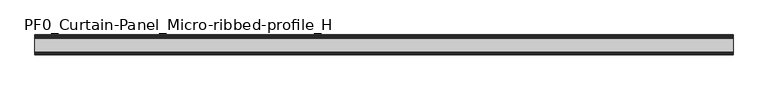
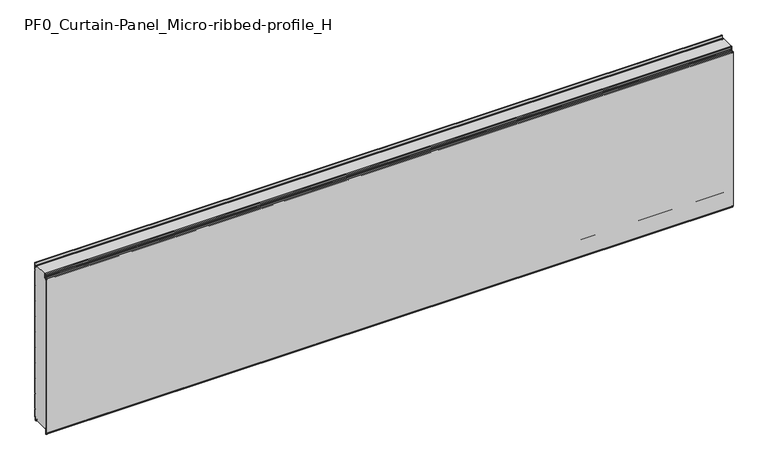
"""IFC4 building model written with IfcOpenShell, lengths in millimetres: plate geometry, PF0_Curtain-Panel_Micro-ribbed-profile_H."""

from ifc_helpers import new_model, si_unit, point, frame, frame_2d, origin, place, context, project, spatial, polyline, circle_curve, trimmed, segment, composite_curve, outline, extrude, source, transform, mapped, element, save
from ifc_brep_helpers import plane_surface, cylinder_surface, revolved_surface, advanced_brep


def pf0_curtain_panel_micro_ribbed_profile_h_64d7a4d9(model_context):
    return source(origin(), model_context, "Body", "SolidModel", [
        advanced_brep(
        [(-2100.0, -15.878557, 0.0), (-2100.0, -20.0, 0.0), (-2100.0, -20.0, 0.8), (-2100.0, -15.878557, 0.8), (-2100.0, -13.1503208, -1.370137), (-2100.0, -11.728236, -7.529863), (-2100.0, -6.2, -6.9), (-2100.0, -6.2, 8.6), (-2100.0, -3.4, 11.4), (-2100.0, -2.0, 11.4), (-2100.0, -0.8, 12.6), (-2100.0, -0.8, 57.6856412), (-2100.0, -2.482606, 60.6), (-2100.0, -0.8, 63.5143588), (-2100.0, -0.8, 157.6856412), (-2100.0, -2.482606, 160.6), (-2100.0, -0.8, 163.5143588), (-2100.0, -0.8, 257.6856412), (-2100.0, -2.482606, 260.6), (-2100.0, -0.8, 263.5143588), (-2100.0, -0.8, 357.6856412), (-2100.0, -2.482606, 360.6), (-2100.0, -0.8, 363.5143588), (-2100.0, -0.8, 457.6856412), (-2100.0, -2.482606, 460.6), (-2100.0, -0.8, 463.5143588), (-2100.0, -0.8, 557.6856412), (-2100.0, -2.482606, 560.6), (-2100.0, -0.8, 563.5143588), (-2100.0, -0.8, 657.6856412), (-2100.0, -2.482606, 660.6), (-2100.0, -0.8, 663.5143588), (-2100.0, -0.8, 757.6856412), (-2100.0, -2.482606, 760.6), (-2100.0, -0.8, 763.5143588), (-2100.0, -0.8, 857.6856412), (-2100.0, -2.482606, 860.6), (-2100.0, -0.8, 863.5143588), (-2100.0, -0.8, 957.6856412), (-2100.0, -2.482606, 960.6), (-2100.0, -0.8, 963.5143588), (-2100.0, -0.8, 1008.1), (-2100.0, -4.2, 1008.1), (-2100.0, -4.2, 991.1), (-2100.0, -13.7270771, 990.2664884), (-2100.0, -14.8636953, 996.7125669), (-2100.0, -16.6363492, 998.2), (-2100.0, -20.0, 998.2), (-2100.0, -20.0, 999.0), (-2100.0, -16.6363492, 999.0), (-2100.0, -14.0758491, 996.8514855), (-2100.0, -12.939231, 990.405407), (-2100.0, -5.0, 991.1), (-2100.0, -5.0, 1008.1), (-2100.0, -2.5, 1010.6), (-2100.0, 0.0, 1008.1), (-2100.0, 0.0, 963.2999995), (-2100.0, -1.5588455, 960.6), (-2100.0, 0.0, 957.9000005), (-2100.0, 0.0, 863.2999995), (-2100.0, -1.5588455, 860.6), (-2100.0, 0.0, 857.9000005), (-2100.0, 0.0, 763.2999995), (-2100.0, -1.5588455, 760.6), (-2100.0, 0.0, 757.9000005), (-2100.0, 0.0, 663.2999995), (-2100.0, -1.5588455, 660.6), (-2100.0, 0.0, 657.9000005), (-2100.0, 0.0, 563.2999995), (-2100.0, -1.5588455, 560.6), (-2100.0, 0.0, 557.9000005), (-2100.0, 0.0, 463.2999995), (-2100.0, -1.5588455, 460.6), (-2100.0, 0.0, 457.9000005), (-2100.0, 0.0, 363.2999995), (-2100.0, -1.5588455, 360.6), (-2100.0, 0.0, 357.9000005), (-2100.0, 0.0, 263.2999995), (-2100.0, -1.5588455, 260.6), (-2100.0, 0.0, 257.9000005), (-2100.0, 0.0, 163.2999995), (-2100.0, -1.5588455, 160.6), (-2100.0, 0.0, 157.9000005), (-2100.0, 0.0, 63.2999995), (-2100.0, -1.5588455, 60.6), (-2100.0, 0.0, 57.9000005), (-2100.0, 0.0, 12.6), (-2100.0, -2.0, 10.6), (-2100.0, -3.4, 10.6), (-2100.0, -5.4, 8.6), (-2100.0, -5.4, -6.9), (-2100.0, -12.5077322, -7.7098239), (-2100.0, -13.929817, -1.5500979), (2100.0, -15.878557, 0.0), (2100.0, -13.9298169, -1.5500978), (2100.0, -12.507732, -7.7098239), (2100.0, -5.4, -6.9), (2100.0, -5.4, 8.6), (2100.0, -3.4, 10.6), (2100.0, -2.0, 10.6), (2100.0, 0.0, 12.6), (2100.0, 0.0, 57.9000005), (2100.0, -1.5588455, 60.6), (2100.0, 0.0, 63.2999995), (2100.0, 0.0, 157.9000005), (2100.0, -1.5588455, 160.6), (2100.0, 0.0, 163.2999995), (2100.0, 0.0, 257.9000005), (2100.0, -1.5588455, 260.6), (2100.0, 0.0, 263.2999995), (2100.0, 0.0, 357.9000005), (2100.0, -1.5588455, 360.6), (2100.0, 0.0, 363.2999995), (2100.0, 0.0, 457.9000005), (2100.0, -1.5588455, 460.6), (2100.0, 0.0, 463.2999995), (2100.0, 0.0, 557.9000005), (2100.0, -1.5588455, 560.6), (2100.0, 0.0, 563.2999995), (2100.0, 0.0, 657.9000005), (2100.0, -1.5588455, 660.6), (2100.0, 0.0, 663.2999995), (2100.0, 0.0, 757.9000005), (2100.0, -1.5588455, 760.6), (2100.0, 0.0, 763.2999995), (2100.0, 0.0, 857.9000005), (2100.0, -1.5588455, 860.6), (2100.0, 0.0, 863.2999995), (2100.0, 0.0, 957.9000005), (2100.0, -1.5588455, 960.6), (2100.0, 0.0, 963.2999995), (2100.0, 0.0, 1008.1), (2100.0, -2.5, 1010.6), (2100.0, -5.0, 1008.1), (2100.0, -5.0, 991.1), (2100.0, -12.939231, 990.405407), (2100.0, -14.0758491, 996.8514855), (2100.0, -16.6363492, 999.0), (2100.0, -20.0, 999.0), (2100.0, -20.0, 998.2), (2100.0, -16.6363492, 998.2), (2100.0, -14.8636953, 996.7125669), (2100.0, -13.7270772, 990.2664884), (2100.0, -4.2, 991.1), (2100.0, -4.2, 1008.1), (2100.0, -0.8, 1008.1), (2100.0, -0.8, 963.5143588), (2100.0, -2.482606, 960.6), (2100.0, -0.8, 957.6856412), (2100.0, -0.8, 863.5143588), (2100.0, -2.482606, 860.6), (2100.0, -0.8, 857.6856412), (2100.0, -0.8, 763.5143588), (2100.0, -2.482606, 760.6), (2100.0, -0.8, 757.6856412), (2100.0, -0.8, 663.5143588), (2100.0, -2.482606, 660.6), (2100.0, -0.8, 657.6856412), (2100.0, -0.8, 563.5143588), (2100.0, -2.482606, 560.6), (2100.0, -0.8, 557.6856412), (2100.0, -0.8, 463.5143588), (2100.0, -2.482606, 460.6), (2100.0, -0.8, 457.6856412), (2100.0, -0.8, 363.5143588), (2100.0, -2.482606, 360.6), (2100.0, -0.8, 357.6856412), (2100.0, -0.8, 263.5143588), (2100.0, -2.482606, 260.6), (2100.0, -0.8, 257.6856412), (2100.0, -0.8, 163.5143588), (2100.0, -2.482606, 160.6), (2100.0, -0.8, 157.6856412), (2100.0, -0.8, 63.5143588), (2100.0, -2.482606, 60.6), (2100.0, -0.8, 57.6856412), (2100.0, -0.8, 12.6), (2100.0, -2.0, 11.4), (2100.0, -3.4, 11.4), (2100.0, -6.2, 8.6), (2100.0, -6.2, -6.9), (2100.0, -11.7282362, -7.529863), (2100.0, -13.150321, -1.370137), (2100.0, -15.878557, 0.8), (2100.0, -20.0, 0.8), (2100.0, -20.0, 0.0)],
        [
            (0, 1),
            (1, 2),
            (2, 3),
            (3, 4, circle_curve(frame((-2100.0, -15.878557, -2.0), z_axis=(-1.0, 0.0, 0.0), x_axis=(0.0, 0.0, 1.0)), 2.8)),
            (4, 5),
            (5, 6, circle_curve(frame((-2100.0, -9.0, -6.9), z_axis=(1.0, 0.0, 0.0), x_axis=(0.0, 0.0, 1.0)), 2.8)),
            (6, 7),
            (7, 8, circle_curve(frame((-2100.0, -3.4, 8.6), z_axis=(-1.0, 0.0, 0.0), x_axis=(0.0, 0.0, 1.0)), 2.8)),
            (8, 9),
            (9, 10, circle_curve(frame((-2100.0, -2.0, 12.6), z_axis=(1.0, 0.0, 0.0), x_axis=(0.0, 0.0, 1.0)), 1.2)),
            (10, 11),
            (11, 12),
            (12, 13),
            (13, 14),
            (14, 15),
            (15, 16),
            (16, 17),
            (17, 18),
            (18, 19),
            (19, 20),
            (20, 21),
            (21, 22),
            (22, 23),
            (23, 24),
            (24, 25),
            (25, 26),
            (26, 27),
            (27, 28),
            (28, 29),
            (29, 30),
            (30, 31),
            (31, 32),
            (32, 33),
            (33, 34),
            (34, 35),
            (35, 36),
            (36, 37),
            (37, 38),
            (38, 39),
            (39, 40),
            (40, 41),
            (41, 42, circle_curve(frame((-2100.0, -2.5, 1008.1), z_axis=(1.0, 0.0, 0.0), x_axis=(0.0, 0.0, 1.0)), 1.7)),
            (42, 43),
            (43, 44, circle_curve(frame((-2100.0, -9.0, 991.1), z_axis=(-1.0, 0.0, 0.0), x_axis=(0.0, 0.0, 1.0)), 4.8)),
            (44, 45),
            (45, 46, circle_curve(frame((-2100.0, -16.6363492, 996.4), z_axis=(1.0, 0.0, 0.0), x_axis=(0.0, 0.0, 1.0)), 1.8)),
            (46, 47),
            (47, 48),
            (48, 49),
            (49, 50, circle_curve(frame((-2100.0, -16.6363492, 996.4), z_axis=(-1.0, 0.0, 0.0), x_axis=(0.0, 0.0, 1.0)), 2.6)),
            (50, 51),
            (51, 52, circle_curve(frame((-2100.0, -9.0, 991.1), z_axis=(1.0, 0.0, 0.0), x_axis=(0.0, 0.0, 1.0)), 4.0)),
            (52, 53),
            (53, 54, circle_curve(frame((-2100.0, -2.5, 1008.1), z_axis=(-1.0, 0.0, 0.0), x_axis=(0.0, 0.0, 1.0)), 2.5)),
            (54, 55, circle_curve(frame((-2100.0, -2.5, 1008.1), z_axis=(-1.0, 0.0, 0.0), x_axis=(0.0, 0.0, 1.0)), 2.5)),
            (55, 56),
            (56, 57),
            (57, 58),
            (58, 59),
            (59, 60),
            (60, 61),
            (61, 62),
            (62, 63),
            (63, 64),
            (64, 65),
            (65, 66),
            (66, 67),
            (67, 68),
            (68, 69),
            (69, 70),
            (70, 71),
            (71, 72),
            (72, 73),
            (73, 74),
            (74, 75),
            (75, 76),
            (76, 77),
            (77, 78),
            (78, 79),
            (79, 80),
            (80, 81),
            (81, 82),
            (82, 83),
            (83, 84),
            (84, 85),
            (85, 86),
            (86, 87, circle_curve(frame((-2100.0, -2.0, 12.6), z_axis=(-1.0, 0.0, 0.0), x_axis=(0.0, 0.0, 1.0)), 2.0)),
            (87, 88),
            (88, 89, circle_curve(frame((-2100.0, -3.4, 8.6), z_axis=(1.0, 0.0, 0.0), x_axis=(0.0, 0.0, 1.0)), 2.0)),
            (89, 90),
            (90, 91, circle_curve(frame((-2100.0, -9.0, -6.9), z_axis=(-1.0, 0.0, 0.0), x_axis=(0.0, 0.0, 1.0)), 3.6)),
            (91, 92),
            (92, 0, circle_curve(frame((-2100.0, -15.878557, -2.0), z_axis=(1.0, 0.0, 0.0), x_axis=(0.0, 0.0, 1.0)), 2.0)),
            (93, 94, circle_curve(frame((2100.0, -15.878557, -2.0), z_axis=(-1.0, 0.0, 0.0), x_axis=(0.0, 0.0, 1.0)), 2.0)),
            (94, 95),
            (95, 96, circle_curve(frame((2100.0, -9.0, -6.9), z_axis=(1.0, 0.0, 0.0), x_axis=(0.0, 0.0, 1.0)), 3.6)),
            (96, 97),
            (97, 98, circle_curve(frame((2100.0, -3.4, 8.6), z_axis=(-1.0, 0.0, 0.0), x_axis=(0.0, 0.0, 1.0)), 2.0)),
            (98, 99),
            (99, 100, circle_curve(frame((2100.0, -2.0, 12.6), z_axis=(1.0, 0.0, 0.0), x_axis=(0.0, 0.0, 1.0)), 2.0)),
            (100, 101),
            (101, 102),
            (102, 103),
            (103, 104),
            (104, 105),
            (105, 106),
            (106, 107),
            (107, 108),
            (108, 109),
            (109, 110),
            (110, 111),
            (111, 112),
            (112, 113),
            (113, 114),
            (114, 115),
            (115, 116),
            (116, 117),
            (117, 118),
            (118, 119),
            (119, 120),
            (120, 121),
            (121, 122),
            (122, 123),
            (123, 124),
            (124, 125),
            (125, 126),
            (126, 127),
            (127, 128),
            (128, 129),
            (129, 130),
            (130, 131),
            (131, 132, circle_curve(frame((2100.0, -2.5, 1008.1), z_axis=(1.0, 0.0, 0.0), x_axis=(0.0, 0.0, 1.0)), 2.5)),
            (132, 133, circle_curve(frame((2100.0, -2.5, 1008.1), z_axis=(1.0, 0.0, 0.0), x_axis=(0.0, 0.0, 1.0)), 2.5)),
            (133, 134),
            (134, 135, circle_curve(frame((2100.0, -9.0, 991.1), z_axis=(-1.0, 0.0, 0.0), x_axis=(0.0, 0.0, 1.0)), 4.0)),
            (135, 136),
            (136, 137, circle_curve(frame((2100.0, -16.6363492, 996.4), z_axis=(1.0, 0.0, 0.0), x_axis=(0.0, 0.0, 1.0)), 2.6)),
            (137, 138),
            (138, 139),
            (139, 140),
            (140, 141, circle_curve(frame((2100.0, -16.6363492, 996.4), z_axis=(-1.0, 0.0, 0.0), x_axis=(0.0, 0.0, 1.0)), 1.8)),
            (141, 142),
            (142, 143, circle_curve(frame((2100.0, -9.0, 991.1), z_axis=(1.0, 0.0, 0.0), x_axis=(0.0, 0.0, 1.0)), 4.8)),
            (143, 144),
            (144, 145, circle_curve(frame((2100.0, -2.5, 1008.1), z_axis=(-1.0, 0.0, 0.0), x_axis=(0.0, 0.0, 1.0)), 1.7)),
            (145, 146),
            (146, 147),
            (147, 148),
            (148, 149),
            (149, 150),
            (150, 151),
            (151, 152),
            (152, 153),
            (153, 154),
            (154, 155),
            (155, 156),
            (156, 157),
            (157, 158),
            (158, 159),
            (159, 160),
            (160, 161),
            (161, 162),
            (162, 163),
            (163, 164),
            (164, 165),
            (165, 166),
            (166, 167),
            (167, 168),
            (168, 169),
            (169, 170),
            (170, 171),
            (171, 172),
            (172, 173),
            (173, 174),
            (174, 175),
            (175, 176),
            (176, 177, circle_curve(frame((2100.0, -2.0, 12.6), z_axis=(-1.0, 0.0, 0.0), x_axis=(0.0, 0.0, 1.0)), 1.2)),
            (177, 178),
            (178, 179, circle_curve(frame((2100.0, -3.4, 8.6), z_axis=(1.0, 0.0, 0.0), x_axis=(0.0, 0.0, 1.0)), 2.8)),
            (179, 180),
            (180, 181, circle_curve(frame((2100.0, -9.0, -6.9), z_axis=(-1.0, 0.0, 0.0), x_axis=(0.0, 0.0, 1.0)), 2.8)),
            (181, 182),
            (182, 183, circle_curve(frame((2100.0, -15.878557, -2.0), z_axis=(1.0, 0.0, 0.0), x_axis=(0.0, 0.0, 1.0)), 2.8)),
            (183, 184),
            (184, 185),
            (185, 93),
            (0, 93),
            (185, 1),
            (184, 2),
            (183, 3),
            (182, 4),
            (181, 5),
            (180, 6),
            (179, 7),
            (178, 8),
            (177, 9),
            (176, 10),
            (175, 11),
            (174, 12),
            (173, 13),
            (172, 14),
            (171, 15),
            (170, 16),
            (169, 17),
            (168, 18),
            (167, 19),
            (166, 20),
            (165, 21),
            (164, 22),
            (163, 23),
            (162, 24),
            (161, 25),
            (160, 26),
            (159, 27),
            (158, 28),
            (157, 29),
            (156, 30),
            (155, 31),
            (154, 32),
            (153, 33),
            (152, 34),
            (151, 35),
            (150, 36),
            (149, 37),
            (148, 38),
            (147, 39),
            (146, 40),
            (145, 41),
            (144, 42),
            (143, 43),
            (142, 44),
            (141, 45),
            (140, 46),
            (139, 47),
            (138, 48),
            (137, 49),
            (136, 50),
            (135, 51),
            (134, 52),
            (133, 53),
            (131, 55),
            (130, 56),
            (129, 57),
            (128, 58),
            (127, 59),
            (126, 60),
            (125, 61),
            (124, 62),
            (123, 63),
            (122, 64),
            (121, 65),
            (120, 66),
            (119, 67),
            (118, 68),
            (117, 69),
            (116, 70),
            (115, 71),
            (114, 72),
            (113, 73),
            (112, 74),
            (111, 75),
            (110, 76),
            (109, 77),
            (108, 78),
            (107, 79),
            (106, 80),
            (105, 81),
            (104, 82),
            (103, 83),
            (102, 84),
            (101, 85),
            (100, 86),
            (99, 87),
            (98, 88),
            (97, 89),
            (96, 90),
            (95, 91),
            (94, 92),
        ],
        [
            plane_surface(frame((-2100.0, 0.0, 0.0), z_axis=(-1.0, 0.0, 0.0), x_axis=(0.0, 1.0, 0.0))),
            plane_surface(frame((2100.0, 0.0, 0.0), z_axis=(1.0, 0.0, 0.0), x_axis=(0.0, 1.0, 0.0))),
            plane_surface(frame((-2100.0, -15.878557, 0.0), z_axis=(0.0, 0.0, -1.0), x_axis=(1.0, 0.0, 0.0))),
            plane_surface(frame((-2100.0, -20.0, 0.0), z_axis=(0.0, -1.0, 0.0), x_axis=(1.0, 0.0, 0.0))),
            plane_surface(frame((-2100.0, -20.0, 0.8), z_axis=(0.0, 0.0, 1.0), x_axis=(1.0, 0.0, 0.0))),
            cylinder_surface(frame((-2100.0, -15.878557, -2.0), z_axis=(-1.0, 0.0, 0.0), x_axis=(0.0, 0.0, 1.0)), 2.8),
            plane_surface(frame((-2100.0, -13.150321, -1.370137), z_axis=(0.0, 0.9743700578318181, 0.22495108446242168), x_axis=(1.0, 0.0, 0.0))),
            revolved_surface(polyline([(2100.0, -9.0, -4.1000000000000005), (-2100.0, -9.0, -4.1000000000000005)]), (-2100.0, -9.0, -6.9), (1.0, 0.0, 0.0)),
            plane_surface(frame((-2100.0, -6.2, -6.9), z_axis=(0.0, -1.0, 0.0), x_axis=(1.0, 0.0, 0.0))),
            cylinder_surface(frame((-2100.0, -3.4, 8.6), z_axis=(-1.0, 0.0, 0.0), x_axis=(0.0, 0.0, 1.0)), 2.8),
            plane_surface(frame((-2100.0, -3.4, 11.4), z_axis=(0.0, 0.0, 1.0), x_axis=(1.0, 0.0, 0.0))),
            revolved_surface(polyline([(2100.0, -2.0, 13.799999999999999), (-2100.0, -2.0, 13.799999999999999)]), (-2100.0, -2.0, 12.6), (1.0, 0.0, 0.0)),
            plane_surface(frame((-2100.0, -0.8, 12.6), z_axis=(0.0, -1.0, 0.0), x_axis=(1.0, 0.0, 0.0))),
            plane_surface(frame((-2100.0, -0.8, 57.6856412), z_axis=(0.0, -0.8660253865035757, -0.5000000299313314), x_axis=(1.0, 0.0, 0.0))),
            plane_surface(frame((-2100.0, -2.482606, 60.6), z_axis=(0.0, -0.8660253865035789, 0.5000000299313261), x_axis=(1.0, 0.0, 0.0))),
            plane_surface(frame((-2100.0, -0.8, 63.5143588), z_axis=(0.0, -1.0, 0.0), x_axis=(1.0, 0.0, 0.0))),
            plane_surface(frame((-2100.0, -0.8, 157.6856412), z_axis=(0.0, -0.8660253865035755, -0.5000000299313319), x_axis=(1.0, 0.0, 0.0))),
            plane_surface(frame((-2100.0, -2.482606, 160.6), z_axis=(0.0, -0.8660253865035777, 0.5000000299313279), x_axis=(1.0, 0.0, 0.0))),
            plane_surface(frame((-2100.0, -0.8, 163.5143588), z_axis=(0.0, -1.0, 0.0), x_axis=(1.0, 0.0, 0.0))),
            plane_surface(frame((-2100.0, -0.8, 257.6856412), z_axis=(0.0, -0.8660253865035755, -0.5000000299313319), x_axis=(1.0, 0.0, 0.0))),
            plane_surface(frame((-2100.0, -2.482606, 260.6), z_axis=(0.0, -0.8660253865035777, 0.5000000299313279), x_axis=(1.0, 0.0, 0.0))),
            plane_surface(frame((-2100.0, -0.8, 263.5143588), z_axis=(0.0, -1.0, 0.0), x_axis=(1.0, 0.0, 0.0))),
            plane_surface(frame((-2100.0, -0.8, 357.6856412), z_axis=(0.0, -0.8660253865035754, -0.500000029931332), x_axis=(1.0, 0.0, 0.0))),
            plane_surface(frame((-2100.0, -2.482606, 360.6), z_axis=(0.0, -0.8660253865035789, 0.5000000299313261), x_axis=(1.0, 0.0, 0.0))),
            plane_surface(frame((-2100.0, -0.8, 363.5143588), z_axis=(0.0, -1.0, 0.0), x_axis=(1.0, 0.0, 0.0))),
            plane_surface(frame((-2100.0, -0.8, 457.6856412), z_axis=(0.0, -0.8660253865035755, -0.5000000299313319), x_axis=(1.0, 0.0, 0.0))),
            plane_surface(frame((-2100.0, -2.482606, 460.6), z_axis=(0.0, -0.8660253865035785, 0.5000000299313266), x_axis=(1.0, 0.0, 0.0))),
            plane_surface(frame((-2100.0, -0.8, 463.5143588), z_axis=(0.0, -1.0, 0.0), x_axis=(1.0, 0.0, 0.0))),
            plane_surface(frame((-2100.0, -0.8, 557.6856412), z_axis=(0.0, -0.8660253865035755, -0.500000029931332), x_axis=(1.0, 0.0, 0.0))),
            plane_surface(frame((-2100.0, -2.482606, 560.6), z_axis=(0.0, -0.8660253865035789, 0.500000029931326), x_axis=(1.0, 0.0, 0.0))),
            plane_surface(frame((-2100.0, -0.8, 563.5143588), z_axis=(0.0, -1.0, 0.0), x_axis=(1.0, 0.0, 0.0))),
            plane_surface(frame((-2100.0, -0.8, 657.6856412), z_axis=(0.0, -0.8660253865035755, -0.5000000299313317), x_axis=(1.0, 0.0, 0.0))),
            plane_surface(frame((-2100.0, -2.482606, 660.6), z_axis=(0.0, -0.8660253865035772, 0.5000000299313291), x_axis=(1.0, 0.0, 0.0))),
            plane_surface(frame((-2100.0, -0.8, 663.5143588), z_axis=(0.0, -1.0, 0.0), x_axis=(1.0, 0.0, 0.0))),
            plane_surface(frame((-2100.0, -0.8, 757.6856412), z_axis=(0.0, -0.8660253865035755, -0.5000000299313319), x_axis=(1.0, 0.0, 0.0))),
            plane_surface(frame((-2100.0, -2.482606, 760.6), z_axis=(0.0, -0.8660253865035771, 0.5000000299313291), x_axis=(1.0, 0.0, 0.0))),
            plane_surface(frame((-2100.0, -0.8, 763.5143588), z_axis=(0.0, -1.0, 0.0), x_axis=(1.0, 0.0, 0.0))),
            plane_surface(frame((-2100.0, -0.8, 857.6856412), z_axis=(0.0, -0.8660253865035755, -0.5000000299313319), x_axis=(1.0, 0.0, 0.0))),
            plane_surface(frame((-2100.0, -2.482606, 860.6), z_axis=(0.0, -0.8660253865035775, 0.5000000299313283), x_axis=(1.0, 0.0, 0.0))),
            plane_surface(frame((-2100.0, -0.8, 863.5143588), z_axis=(0.0, -1.0, 0.0), x_axis=(1.0, 0.0, 0.0))),
            plane_surface(frame((-2100.0, -0.8, 957.6856412), z_axis=(0.0, -0.8660253865035755, -0.500000029931332), x_axis=(1.0, 0.0, 0.0))),
            plane_surface(frame((-2100.0, -2.482606, 960.6), z_axis=(0.0, -0.8660253865035771, 0.5000000299313291), x_axis=(1.0, 0.0, 0.0))),
            plane_surface(frame((-2100.0, -0.8, 963.5143588), z_axis=(0.0, -1.0, 0.0), x_axis=(1.0, 0.0, 0.0))),
            revolved_surface(polyline([(2100.0, -2.5, 1009.8000000000001), (-2100.0, -2.5, 1009.8000000000001)]), (-2100.0, -2.5, 1008.1), (1.0, 0.0, 0.0)),
            plane_surface(frame((-2100.0, -4.2, 1008.1), z_axis=(0.0, 1.0, 0.0), x_axis=(1.0, 0.0, 0.0))),
            cylinder_surface(frame((-2100.0, -9.0, 991.1), z_axis=(-1.0, 0.0, 0.0), x_axis=(0.0, 0.0, 1.0)), 4.8),
            plane_surface(frame((-2100.0, -13.7270772, 990.2664884), z_axis=(0.0, -0.9848077391954005, -0.17364825602592165), x_axis=(1.0, 0.0, 0.0))),
            revolved_surface(polyline([(2100.0, -16.6363492, 998.1999999999999), (-2100.0, -16.6363492, 998.1999999999999)]), (-2100.0, -16.6363492, 996.4), (1.0, 0.0, 0.0)),
            plane_surface(frame((-2100.0, -16.6363492, 998.2), z_axis=(0.0, 0.0, -1.0), x_axis=(1.0, 0.0, 0.0))),
            plane_surface(frame((-2100.0, -20.0, 998.2), z_axis=(0.0, -1.0, 0.0), x_axis=(1.0, 0.0, 0.0))),
            plane_surface(frame((-2100.0, -20.0, 999.0), z_axis=(0.0, 0.0, 1.0), x_axis=(1.0, 0.0, 0.0))),
            cylinder_surface(frame((-2100.0, -16.6363492, 996.4), z_axis=(-1.0, 0.0, 0.0), x_axis=(0.0, 0.0, 1.0)), 2.6),
            plane_surface(frame((-2100.0, -14.0758491, 996.8514855), z_axis=(0.0, 0.9848077391954003, 0.1736482560259224), x_axis=(1.0, 0.0, 0.0))),
            revolved_surface(polyline([(2100.0, -9.0, 995.1), (-2100.0, -9.0, 995.1)]), (-2100.0, -9.0, 991.1), (1.0, 0.0, 0.0)),
            plane_surface(frame((-2100.0, -5.0, 991.1), z_axis=(0.0, -1.0, 0.0), x_axis=(1.0, 0.0, 0.0))),
            cylinder_surface(frame((-2100.0, -2.5, 1008.1), z_axis=(-1.0, 0.0, 0.0), x_axis=(0.0, 0.0, 1.0)), 2.5),
            plane_surface(frame((-2100.0, 0.0, 1008.1), z_axis=(0.0, 1.0, 0.0), x_axis=(1.0, 0.0, 0.0))),
            plane_surface(frame((-2100.0, 0.0, 963.2999995), z_axis=(0.0, 0.8660253865035786, -0.5000000299313263), x_axis=(1.0, 0.0, 0.0))),
            plane_surface(frame((-2100.0, -1.5588455, 960.6), z_axis=(0.0, 0.8660253865035755, 0.5000000299313319), x_axis=(1.0, 0.0, 0.0))),
            plane_surface(frame((-2100.0, 0.0, 957.9000005), z_axis=(0.0, 1.0, 0.0), x_axis=(1.0, 0.0, 0.0))),
            plane_surface(frame((-2100.0, 0.0, 863.2999995), z_axis=(0.0, 0.8660253865035786, -0.5000000299313263), x_axis=(1.0, 0.0, 0.0))),
            plane_surface(frame((-2100.0, -1.5588455, 860.6), z_axis=(0.0, 0.8660253865035755, 0.5000000299313319), x_axis=(1.0, 0.0, 0.0))),
            plane_surface(frame((-2100.0, 0.0, 857.9000005), z_axis=(0.0, 1.0, 0.0), x_axis=(1.0, 0.0, 0.0))),
            plane_surface(frame((-2100.0, 0.0, 763.2999995), z_axis=(0.0, 0.8660253865035786, -0.5000000299313263), x_axis=(1.0, 0.0, 0.0))),
            plane_surface(frame((-2100.0, -1.5588455, 760.6), z_axis=(0.0, 0.8660253865035755, 0.5000000299313319), x_axis=(1.0, 0.0, 0.0))),
            plane_surface(frame((-2100.0, 0.0, 757.9000005), z_axis=(0.0, 1.0, 0.0), x_axis=(1.0, 0.0, 0.0))),
            plane_surface(frame((-2100.0, 0.0, 663.2999995), z_axis=(0.0, 0.8660253865035786, -0.5000000299313263), x_axis=(1.0, 0.0, 0.0))),
            plane_surface(frame((-2100.0, -1.5588455, 660.6), z_axis=(0.0, 0.8660253865035755, 0.5000000299313319), x_axis=(1.0, 0.0, 0.0))),
            plane_surface(frame((-2100.0, 0.0, 657.9000005), z_axis=(0.0, 1.0, 0.0), x_axis=(1.0, 0.0, 0.0))),
            plane_surface(frame((-2100.0, 0.0, 563.2999995), z_axis=(0.0, 0.8660253865035786, -0.5000000299313263), x_axis=(1.0, 0.0, 0.0))),
            plane_surface(frame((-2100.0, -1.5588455, 560.6), z_axis=(0.0, 0.8660253865035755, 0.5000000299313319), x_axis=(1.0, 0.0, 0.0))),
            plane_surface(frame((-2100.0, 0.0, 557.9000005), z_axis=(0.0, 1.0, 0.0), x_axis=(1.0, 0.0, 0.0))),
            plane_surface(frame((-2100.0, 0.0, 463.2999995), z_axis=(0.0, 0.8660253865035786, -0.5000000299313263), x_axis=(1.0, 0.0, 0.0))),
            plane_surface(frame((-2100.0, -1.5588455, 460.6), z_axis=(0.0, 0.8660253865035755, 0.5000000299313319), x_axis=(1.0, 0.0, 0.0))),
            plane_surface(frame((-2100.0, 0.0, 457.9000005), z_axis=(0.0, 1.0, 0.0), x_axis=(1.0, 0.0, 0.0))),
            plane_surface(frame((-2100.0, 0.0, 363.2999995), z_axis=(0.0, 0.8660253865035786, -0.5000000299313263), x_axis=(1.0, 0.0, 0.0))),
            plane_surface(frame((-2100.0, -1.5588455, 360.6), z_axis=(0.0, 0.8660253865035755, 0.5000000299313319), x_axis=(1.0, 0.0, 0.0))),
            plane_surface(frame((-2100.0, 0.0, 357.9000005), z_axis=(0.0, 1.0, 0.0), x_axis=(1.0, 0.0, 0.0))),
            plane_surface(frame((-2100.0, 0.0, 263.2999995), z_axis=(0.0, 0.8660253865035786, -0.5000000299313263), x_axis=(1.0, 0.0, 0.0))),
            plane_surface(frame((-2100.0, -1.5588455, 260.6), z_axis=(0.0, 0.8660253865035755, 0.5000000299313319), x_axis=(1.0, 0.0, 0.0))),
            plane_surface(frame((-2100.0, 0.0, 257.9000005), z_axis=(0.0, 1.0, 0.0), x_axis=(1.0, 0.0, 0.0))),
            plane_surface(frame((-2100.0, 0.0, 163.2999995), z_axis=(0.0, 0.8660253865035786, -0.5000000299313263), x_axis=(1.0, 0.0, 0.0))),
            plane_surface(frame((-2100.0, -1.5588455, 160.6), z_axis=(0.0, 0.8660253865035755, 0.5000000299313319), x_axis=(1.0, 0.0, 0.0))),
            plane_surface(frame((-2100.0, 0.0, 157.9000005), z_axis=(0.0, 1.0, 0.0), x_axis=(1.0, 0.0, 0.0))),
            plane_surface(frame((-2100.0, 0.0, 63.2999995), z_axis=(0.0, 0.8660253865035786, -0.5000000299313263), x_axis=(1.0, 0.0, 0.0))),
            plane_surface(frame((-2100.0, -1.5588455, 60.6), z_axis=(0.0, 0.8660253865035755, 0.5000000299313319), x_axis=(1.0, 0.0, 0.0))),
            plane_surface(frame((-2100.0, 0.0, 57.9000005), z_axis=(0.0, 1.0, 0.0), x_axis=(1.0, 0.0, 0.0))),
            cylinder_surface(frame((-2100.0, -2.0, 12.6), z_axis=(-1.0, 0.0, 0.0), x_axis=(0.0, 0.0, 1.0)), 2.0),
            plane_surface(frame((-2100.0, -2.0, 10.6), z_axis=(0.0, 0.0, -1.0), x_axis=(1.0, 0.0, 0.0))),
            revolved_surface(polyline([(2100.0, -3.4, 10.6), (-2100.0, -3.4, 10.6)]), (-2100.0, -3.4, 8.6), (1.0, 0.0, 0.0)),
            plane_surface(frame((-2100.0, -5.4, 8.6), z_axis=(0.0, 1.0, 0.0), x_axis=(1.0, 0.0, 0.0))),
            cylinder_surface(frame((-2100.0, -9.0, -6.9), z_axis=(-1.0, 0.0, 0.0), x_axis=(0.0, 0.0, 1.0)), 3.6),
            plane_surface(frame((-2100.0, -12.507732, -7.7098239), z_axis=(0.0, -0.9743700578318182, -0.22495108446242174), x_axis=(1.0, 0.0, 0.0))),
            revolved_surface(polyline([(2100.0, -15.878557, 0.0), (-2100.0, -15.878557, 0.0)]), (-2100.0, -15.878557, -2.0), (1.0, 0.0, 0.0)),
        ],
        [
            (0, [[1, 2, 3, 4, 5, 6, 7, 8, 9, 10, 11, 12, 13, 14, 15, 16, 17, 18, 19, 20, 21, 22, 23, 24, 25, 26, 27, 28, 29, 30, 31, 32, 33, 34, 35, 36, 37, 38, 39, 40, 41, 42, 43, 44, 45, 46, 47, 48, 49, 50, 51, 52, 53, 54, 55, 56, 57, 58, 59, 60, 61, 62, 63, 64, 65, 66, 67, 68, 69, 70, 71, 72, 73, 74, 75, 76, 77, 78, 79, 80, 81, 82, 83, 84, 85, 86, 87, 88, 89, 90, 91, 92, 93]]),
            (1, [[94, 95, 96, 97, 98, 99, 100, 101, 102, 103, 104, 105, 106, 107, 108, 109, 110, 111, 112, 113, 114, 115, 116, 117, 118, 119, 120, 121, 122, 123, 124, 125, 126, 127, 128, 129, 130, 131, 132, 133, 134, 135, 136, 137, 138, 139, 140, 141, 142, 143, 144, 145, 146, 147, 148, 149, 150, 151, 152, 153, 154, 155, 156, 157, 158, 159, 160, 161, 162, 163, 164, 165, 166, 167, 168, 169, 170, 171, 172, 173, 174, 175, 176, 177, 178, 179, 180, 181, 182, 183, 184, 185, 186]]),
            (2, [[-1, 187, -186, 188]]),
            (3, [[-2, -188, -185, 189]]),
            (4, [[-3, -189, -184, 190]]),
            (5, [[-4, -190, -183, 191]]),
            (6, [[-5, -191, -182, 192]]),
            (7, [[-6, -192, -181, 193]]),
            (8, [[-7, -193, -180, 194]]),
            (9, [[-8, -194, -179, 195]]),
            (10, [[-9, -195, -178, 196]]),
            (11, [[-10, -196, -177, 197]]),
            (12, [[-11, -197, -176, 198]]),
            (13, [[-12, -198, -175, 199]]),
            (14, [[-13, -199, -174, 200]]),
            (15, [[-14, -200, -173, 201]]),
            (16, [[-15, -201, -172, 202]]),
            (17, [[-16, -202, -171, 203]]),
            (18, [[-17, -203, -170, 204]]),
            (19, [[-18, -204, -169, 205]]),
            (20, [[-19, -205, -168, 206]]),
            (21, [[-20, -206, -167, 207]]),
            (22, [[-21, -207, -166, 208]]),
            (23, [[-22, -208, -165, 209]]),
            (24, [[-23, -209, -164, 210]]),
            (25, [[-24, -210, -163, 211]]),
            (26, [[-25, -211, -162, 212]]),
            (27, [[-26, -212, -161, 213]]),
            (28, [[-27, -213, -160, 214]]),
            (29, [[-28, -214, -159, 215]]),
            (30, [[-29, -215, -158, 216]]),
            (31, [[-30, -216, -157, 217]]),
            (32, [[-31, -217, -156, 218]]),
            (33, [[-32, -218, -155, 219]]),
            (34, [[-33, -219, -154, 220]]),
            (35, [[-34, -220, -153, 221]]),
            (36, [[-35, -221, -152, 222]]),
            (37, [[-36, -222, -151, 223]]),
            (38, [[-37, -223, -150, 224]]),
            (39, [[-38, -224, -149, 225]]),
            (40, [[-39, -225, -148, 226]]),
            (41, [[-40, -226, -147, 227]]),
            (42, [[-41, -227, -146, 228]]),
            (43, [[-42, -228, -145, 229]]),
            (44, [[-43, -229, -144, 230]]),
            (45, [[-44, -230, -143, 231]]),
            (46, [[-45, -231, -142, 232]]),
            (47, [[-46, -232, -141, 233]]),
            (48, [[-47, -233, -140, 234]]),
            (49, [[-48, -234, -139, 235]]),
            (50, [[-49, -235, -138, 236]]),
            (51, [[-50, -236, -137, 237]]),
            (52, [[-51, -237, -136, 238]]),
            (53, [[-52, -238, -135, 239]]),
            (54, [[-53, -239, -134, 240]]),
            (55, [[-240, -133, -132, 241, -55, -54]]),
            (56, [[-56, -241, -131, 242]]),
            (57, [[-57, -242, -130, 243]]),
            (58, [[-58, -243, -129, 244]]),
            (59, [[-59, -244, -128, 245]]),
            (60, [[-60, -245, -127, 246]]),
            (61, [[-61, -246, -126, 247]]),
            (62, [[-62, -247, -125, 248]]),
            (63, [[-63, -248, -124, 249]]),
            (64, [[-64, -249, -123, 250]]),
            (65, [[-65, -250, -122, 251]]),
            (66, [[-66, -251, -121, 252]]),
            (67, [[-67, -252, -120, 253]]),
            (68, [[-68, -253, -119, 254]]),
            (69, [[-69, -254, -118, 255]]),
            (70, [[-70, -255, -117, 256]]),
            (71, [[-71, -256, -116, 257]]),
            (72, [[-72, -257, -115, 258]]),
            (73, [[-73, -258, -114, 259]]),
            (74, [[-74, -259, -113, 260]]),
            (75, [[-75, -260, -112, 261]]),
            (76, [[-76, -261, -111, 262]]),
            (77, [[-77, -262, -110, 263]]),
            (78, [[-78, -263, -109, 264]]),
            (79, [[-79, -264, -108, 265]]),
            (80, [[-80, -265, -107, 266]]),
            (81, [[-81, -266, -106, 267]]),
            (82, [[-82, -267, -105, 268]]),
            (83, [[-83, -268, -104, 269]]),
            (84, [[-84, -269, -103, 270]]),
            (85, [[-85, -270, -102, 271]]),
            (86, [[-86, -271, -101, 272]]),
            (87, [[-87, -272, -100, 273]]),
            (88, [[-88, -273, -99, 274]]),
            (89, [[-89, -274, -98, 275]]),
            (90, [[-90, -275, -97, 276]]),
            (91, [[-91, -276, -96, 277]]),
            (92, [[-92, -277, -95, 278]]),
            (93, [[-93, -278, -94, -187]]),
        ],
    ),
        extrude(outline(composite_curve([segment(polyline([(-110.0, 0.0), (-113.5, 0.0)]), True, "CONTINUOUS"), segment(trimmed(circle_curve(frame_2d((-113.5, -2.0)), 2.0), [point((-113.5, 0.0))], [point((-115.5, -2.0))], True, "CARTESIAN"), True, "CONTINUOUS"), segment(polyline([(-115.5, -2.0), (-115.5, -33.0)]), True, "CONTINUOUS"), segment(trimmed(circle_curve(frame_2d((-116.5, -33.0)), 1.0), [point((-115.5, -33.0))], [point((-117.5, -33.0))], False, "CARTESIAN"), True, "CONTINUOUS"), segment(polyline([(-117.5, -33.0), (-117.5, -26.9)]), True, "CONTINUOUS"), segment(trimmed(circle_curve(frame_2d((-118.4, -26.9)), 0.9), [point((-117.5, -26.9))], [point((-118.4, -26.0))], True, "CARTESIAN"), True, "CONTINUOUS"), segment(trimmed(circle_curve(frame_2d((-118.4, -24.4)), 1.6), [point((-118.4, -26.0))], [point((-120.0, -24.4))], False, "CARTESIAN"), True, "CONTINUOUS"), segment(polyline([(-120.0, -24.4), (-120.0, 973.0)]), True, "CONTINUOUS"), segment(trimmed(circle_curve(frame_2d((-119.0, 973.0)), 1.0), [point((-120.0, 973.0))], [point((-118.0, 973.0))], False, "CARTESIAN"), True, "CONTINUOUS"), segment(polyline([(-118.0, 973.0), (-118.0, 967.0)]), True, "CONTINUOUS"), segment(trimmed(circle_curve(frame_2d((-116.5, 967.0)), 1.5), [point((-118.0, 967.0))], [point((-115.0, 967.0))], True, "CARTESIAN"), True, "CONTINUOUS"), segment(polyline([(-115.0, 967.0), (-115.0, 967.8276204)]), True, "CONTINUOUS"), segment(trimmed(circle_curve(frame_2d((-108.8276204, 967.8276204)), 6.1723796), [point((-115.0, 967.8276204))], [point((-108.8276204, 974.0))], False, "CARTESIAN"), True, "CONTINUOUS"), segment(polyline([(-108.8276204, 974.0), (-108.0, 974.0)]), True, "CONTINUOUS"), segment(trimmed(circle_curve(frame_2d((-108.0, 975.0)), 1.0), [point((-108.0, 974.0))], [point((-107.0, 975.0))], True, "CARTESIAN"), True, "CONTINUOUS"), segment(polyline([(-107.0, 975.0), (-107.0, 981.5000012), (-105.4999999, 983.0), (-107.0, 984.4999988), (-107.0, 996.4)]), True, "CONTINUOUS"), segment(trimmed(circle_curve(frame_2d((-104.4, 996.4)), 2.6), [point((-107.0, 996.4))], [point((-104.4, 999.0))], False, "CARTESIAN"), True, "CONTINUOUS"), segment(polyline([(-104.4, 999.0), (-103.0, 999.0), (-103.0, 998.2), (-104.4, 998.2)]), True, "CONTINUOUS"), segment(trimmed(circle_curve(frame_2d((-104.4, 996.4)), 1.8), [point((-104.4, 998.2))], [point((-106.2, 996.4))], True, "CARTESIAN"), True, "CONTINUOUS"), segment(polyline([(-106.2, 996.4), (-106.2, 984.8313698), (-104.3686285, 983.0), (-106.2, 981.1686302), (-106.2, 975.0)]), True, "CONTINUOUS"), segment(trimmed(circle_curve(frame_2d((-108.0, 975.0)), 1.8), [point((-106.2, 975.0))], [point((-108.0, 973.2))], False, "CARTESIAN"), True, "CONTINUOUS"), segment(polyline([(-108.0, 973.2), (-108.8276204, 973.2)]), True, "CONTINUOUS"), segment(trimmed(circle_curve(frame_2d((-108.8276204, 967.8276204)), 5.3723796), [point((-108.8276204, 973.2))], [point((-114.2, 967.8276204))], True, "CARTESIAN"), True, "CONTINUOUS"), segment(polyline([(-114.2, 967.8276204), (-114.2, 967.0)]), True, "CONTINUOUS"), segment(trimmed(circle_curve(frame_2d((-116.4, 967.0)), 2.2), [point((-114.2, 967.0))], [point((-118.6, 967.0))], False, "CARTESIAN"), True, "CONTINUOUS"), segment(polyline([(-118.6, 967.0), (-118.6, 972.8891513)]), True, "CONTINUOUS"), segment(trimmed(circle_curve(frame_2d((-118.9, 972.8891513)), 0.3), [point((-118.6, 972.8891513))], [point((-119.2, 972.8891513))], True, "CARTESIAN"), True, "CONTINUOUS"), segment(polyline([(-119.2, 972.8891513), (-119.2, -24.4)]), True, "CONTINUOUS"), segment(trimmed(circle_curve(frame_2d((-118.4, -24.4)), 0.8), [point((-119.2, -24.4))], [point((-118.4, -25.2))], True, "CARTESIAN"), True, "CONTINUOUS"), segment(trimmed(circle_curve(frame_2d((-118.6133333, -26.9)), 1.7133333), [point((-118.4, -25.2))], [point((-116.9, -26.9))], False, "CARTESIAN"), True, "CONTINUOUS"), segment(polyline([(-116.9, -26.9), (-116.9, -32.8700312)]), True, "CONTINUOUS"), segment(trimmed(circle_curve(frame_2d((-116.6, -32.8700312)), 0.3), [point((-116.9, -32.8700312))], [point((-116.3, -32.8700312))], True, "CARTESIAN"), True, "CONTINUOUS"), segment(polyline([(-116.3, -32.8700312), (-116.3, -2.0)]), True, "CONTINUOUS"), segment(trimmed(circle_curve(frame_2d((-113.5, -2.0)), 2.8), [point((-116.3, -2.0))], [point((-113.5, 0.8))], False, "CARTESIAN"), True, "CONTINUOUS"), segment(polyline([(-113.5, 0.8), (-110.0, 0.8), (-110.0, 0.0)]), True, "CONTINUOUS")], self_intersect=False)), frame((-2100.0, 0.0, 0.0), z_axis=(1.0, 0.0, 0.0), x_axis=(0.0, 1.0, 0.0)), (0.0, 0.0, 1.0), 4200.0),
        extrude(outline(composite_curve([segment(polyline([(-110.0, 0.8), (-113.5, 0.8)]), True, "CONTINUOUS"), segment(trimmed(circle_curve(frame_2d((-113.5, -2.0)), 2.8), [point((-113.5, 0.8))], [point((-116.3, -2.0))], True, "CARTESIAN"), True, "CONTINUOUS"), segment(polyline([(-116.3, -2.0), (-116.3, -32.8700312)]), True, "CONTINUOUS"), segment(trimmed(circle_curve(frame_2d((-116.6, -32.8700312)), 0.3), [point((-116.3, -32.8700312))], [point((-116.9, -32.8700312))], False, "CARTESIAN"), True, "CONTINUOUS"), segment(polyline([(-116.9, -32.8700312), (-116.9, -26.9)]), True, "CONTINUOUS"), segment(trimmed(circle_curve(frame_2d((-118.6133333, -26.9)), 1.7133333), [point((-116.9, -26.9))], [point((-118.4, -25.2))], True, "CARTESIAN"), True, "CONTINUOUS"), segment(trimmed(circle_curve(frame_2d((-118.4, -24.4)), 0.8), [point((-118.4, -25.2))], [point((-119.2, -24.4))], False, "CARTESIAN"), True, "CONTINUOUS"), segment(polyline([(-119.2, -24.4), (-119.2, 972.8891513)]), True, "CONTINUOUS"), segment(trimmed(circle_curve(frame_2d((-118.9, 972.8891513)), 0.3), [point((-119.2, 972.8891513))], [point((-118.6, 972.8891513))], False, "CARTESIAN"), True, "CONTINUOUS"), segment(polyline([(-118.6, 972.8891513), (-118.6, 967.0)]), True, "CONTINUOUS"), segment(trimmed(circle_curve(frame_2d((-116.4, 967.0)), 2.2), [point((-118.6, 967.0))], [point((-114.2, 967.0))], True, "CARTESIAN"), True, "CONTINUOUS"), segment(polyline([(-114.2, 967.0), (-114.2, 967.8276204)]), True, "CONTINUOUS"), segment(trimmed(circle_curve(frame_2d((-108.8276204, 967.8276204)), 5.3723796), [point((-114.2, 967.8276204))], [point((-108.8276204, 973.2))], False, "CARTESIAN"), True, "CONTINUOUS"), segment(polyline([(-108.8276204, 973.2), (-108.0, 973.2)]), True, "CONTINUOUS"), segment(trimmed(circle_curve(frame_2d((-108.0, 975.0)), 1.8), [point((-108.0, 973.2))], [point((-106.2, 975.0))], True, "CARTESIAN"), True, "CONTINUOUS"), segment(polyline([(-106.2, 975.0), (-106.2, 981.1686302), (-104.3686285, 983.0), (-106.2, 984.8313698), (-106.2, 996.4)]), True, "CONTINUOUS"), segment(trimmed(circle_curve(frame_2d((-104.4, 996.4)), 1.8), [point((-106.2, 996.4))], [point((-104.4, 998.2))], False, "CARTESIAN"), True, "CONTINUOUS"), segment(polyline([(-104.4, 998.2), (-103.0, 998.2), (-103.0, 999.0), (-20.0, 999.0), (-20.0, 998.2), (-16.6363492, 998.2)]), True, "CONTINUOUS"), segment(trimmed(circle_curve(frame_2d((-16.6363492, 996.4)), 1.8), [point((-16.6363492, 998.2))], [point((-14.8636953, 996.7125669))], False, "CARTESIAN"), True, "CONTINUOUS"), segment(polyline([(-14.8636953, 996.7125669), (-13.7270772, 990.2664884)]), True, "CONTINUOUS"), segment(trimmed(circle_curve(frame_2d((-9.0, 991.1)), 4.8), [point((-13.7270772, 990.2664884))], [point((-4.2, 991.1))], True, "CARTESIAN"), True, "CONTINUOUS"), segment(polyline([(-4.2, 991.1), (-4.2, 1008.1)]), True, "CONTINUOUS"), segment(trimmed(circle_curve(frame_2d((-2.5, 1008.1)), 1.7), [point((-4.2, 1008.1))], [point((-0.8, 1008.1))], False, "CARTESIAN"), True, "CONTINUOUS"), segment(polyline([(-0.8, 1008.1), (-0.8, 963.5143588), (-2.482606, 960.6), (-0.8, 957.6856412), (-0.8, 863.5143588), (-2.482606, 860.6), (-0.8, 857.6856412), (-0.8, 763.5143588), (-2.482606, 760.6), (-0.8, 757.6856412), (-0.8, 663.5143588), (-2.482606, 660.6), (-0.8, 657.6856412), (-0.8, 563.5143588), (-2.482606, 560.6), (-0.8, 557.6856412), (-0.8, 463.5143588), (-2.482606, 460.6), (-0.8, 457.6856412), (-0.8, 363.5143588), (-2.482606, 360.6), (-0.8, 357.6856412), (-0.8, 263.5143588), (-2.482606, 260.6), (-0.8, 257.6856412), (-0.8, 163.5143588), (-2.482606, 160.6), (-0.8, 157.6856412), (-0.8, 63.5143588), (-2.482606, 60.6), (-0.8, 57.6856412), (-0.8, 12.6)]), True, "CONTINUOUS"), segment(trimmed(circle_curve(frame_2d((-2.0, 12.6)), 1.2), [point((-0.8, 12.6))], [point((-2.0, 11.4))], False, "CARTESIAN"), True, "CONTINUOUS"), segment(polyline([(-2.0, 11.4), (-3.4, 11.4)]), True, "CONTINUOUS"), segment(trimmed(circle_curve(frame_2d((-3.4, 8.6)), 2.8), [point((-3.4, 11.4))], [point((-6.2, 8.6))], True, "CARTESIAN"), True, "CONTINUOUS"), segment(polyline([(-6.2, 8.6), (-6.2, -6.9)]), True, "CONTINUOUS"), segment(trimmed(circle_curve(frame_2d((-9.0, -6.9)), 2.8), [point((-6.2, -6.9))], [point((-11.7282362, -7.529863))], False, "CARTESIAN"), True, "CONTINUOUS"), segment(polyline([(-11.7282362, -7.529863), (-13.1503208, -1.370137)]), True, "CONTINUOUS"), segment(trimmed(circle_curve(frame_2d((-15.878557, -2.0)), 2.8), [point((-13.1503208, -1.370137))], [point((-15.878557, 0.8))], True, "CARTESIAN"), True, "CONTINUOUS"), segment(polyline([(-15.878557, 0.8), (-20.0, 0.8), (-20.0, 0.0), (-110.0, 0.0), (-110.0, 0.8)]), True, "CONTINUOUS")], self_intersect=False)), frame((-2100.0, 0.0, 0.0), z_axis=(1.0, 0.0, 0.0), x_axis=(0.0, 1.0, 0.0)), (0.0, 0.0, 1.0), 4200.0),
    ])


if __name__ == "__main__":
    model = new_model("IFC4")
    model_context = context("Model", 3, world=origin())
    ifc_project = project(units=[si_unit("LENGTHUNIT", "METRE", prefix="MILLI")], contexts=[model_context])
    site = spatial("IfcSite", under=ifc_project)
    building = spatial("IfcBuilding", under=site)
    placement = place(None, origin())
    pf0_curtain_panel_micro_ribbed_profile_h_shape = pf0_curtain_panel_micro_ribbed_profile_h_64d7a4d9(model_context)
    element("IfcPlate", 1, ObjectType="PF0_Curtain-Panel_Micro-ribbed-profile_H", at=placement, inside=building, context=model_context, shape_type="MappedRepresentation", body=[
        mapped(pf0_curtain_panel_micro_ribbed_profile_h_shape, transform((0.0, 0.0, 0.0), x_axis=(1.0, 0.0, 0.0), y_axis=(0.0, 1.0, 0.0), z_axis=(0.0, 0.0, 1.0))),
    ])
    save(model, "model.ifc")
